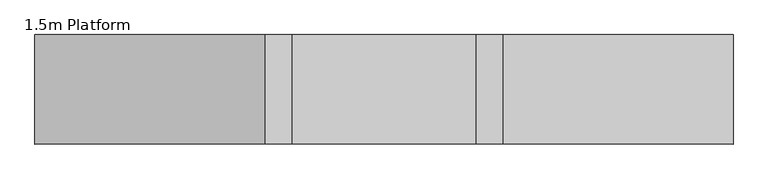
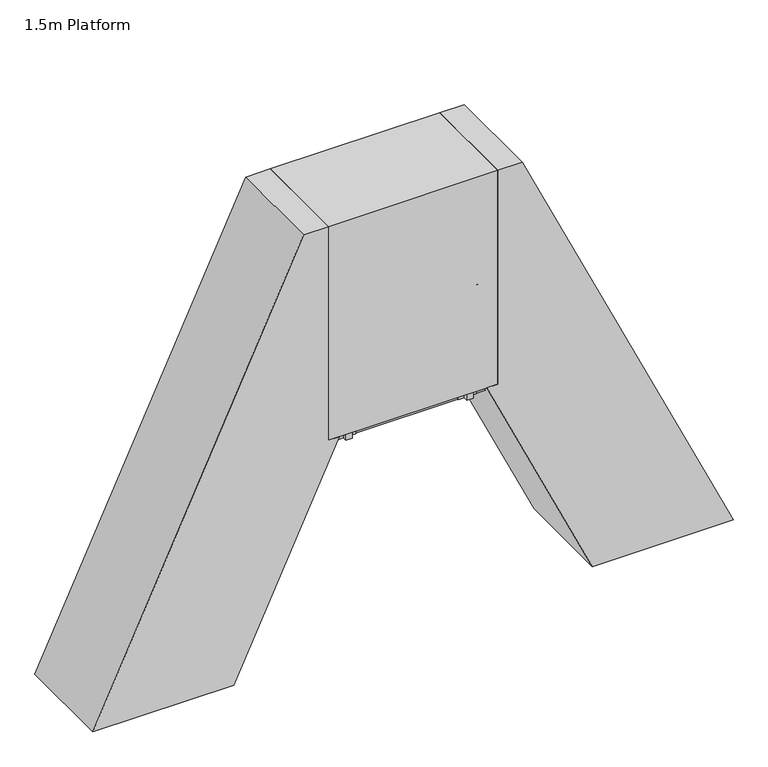
"""IFC4 building model written with IfcOpenShell, lengths in millimetres: proxy geometry, 1.5m Platform."""

from ifc_helpers import new_model, si_unit, point, frame, frame_2d, origin, origin_with_axes, place, context, project, spatial, polyline, circle_curve, ellipse_curve, trimmed, segment, composite_curve, outline, extrude, source, transform, mapped, element, save
from ifc_brep_helpers import plane_surface, cylinder_surface, advanced_brep


def proxy_1_5m_platform_79f61937(model_context):
    return source(origin(), model_context, "Body", "SolidModel", [
        extrude(outline(polyline([(1750.0, 112.6767824), (1750.0, 2.3389904), (1670.0, -34.9656223), (1670.0, 75.3721748), (1750.0, 112.6767824)])), frame((0.0, -304.5, 0.0), z_axis=(0.0, 1.0, 0.0), x_axis=(0.0, 0.0, 1.0)), (0.0, 0.0, 1.0), 6.0),
        extrude(outline(polyline([(1750.0, 112.6767824), (1750.0, 2.3389904), (1670.0, -34.9656223), (1670.0, 75.3721748), (1750.0, 112.6767824)])), frame((0.0, 298.5, 0.0), z_axis=(0.0, 1.0, 0.0), x_axis=(0.0, 0.0, 1.0)), (0.0, 0.0, 1.0), 6.0),
        extrude(outline(polyline([(1750.0, 105.5048261), (1750.0, 85.2429206), (1749.2749538, 84.9048261), (1750.0, 84.5667315), (1750.0, 64.6429206), (1749.2749538, 64.3048261), (1750.0, 63.9667315), (1750.0, 44.0429206), (1749.2749538, 43.7048261), (1750.0, 43.3667315), (1750.0, 23.4429206), (1749.2749538, 23.1048261), (1750.0, 22.7667315), (1750.0, 2.3389904), (1712.0999991, -15.3340703), (1712.0999991, -13.1273145), (1747.0, 3.1468232), (1747.0, 101.8991475), (1712.0999991, 85.625012), (1712.0999991, 87.8317678), (1750.0, 105.5048261)])), frame((0.0, -298.5, 0.0), z_axis=(0.0, 1.0, 0.0), x_axis=(0.0, 0.0, 1.0)), (0.0, 0.0, 1.0), 597.0),
        extrude(outline(polyline([(1500.0, -3.9047051), (1500.0, -114.2424971), (1420.0, -151.5471097), (1420.0, -41.2093127), (1500.0, -3.9047051)])), frame((0.0, -304.5, 0.0), z_axis=(0.0, 1.0, 0.0), x_axis=(0.0, 0.0, 1.0)), (0.0, 0.0, 1.0), 6.0),
        extrude(outline(polyline([(1500.0, -3.9047051), (1500.0, -114.2424971), (1420.0, -151.5471097), (1420.0, -41.2093127), (1500.0, -3.9047051)])), frame((0.0, 298.5, 0.0), z_axis=(0.0, 1.0, 0.0), x_axis=(0.0, 0.0, 1.0)), (0.0, 0.0, 1.0), 6.0),
        extrude(outline(polyline([(1500.0, -11.0766614), (1500.0, -31.3385668), (1499.2749538, -31.6766614), (1500.0, -32.0147559), (1500.0, -51.9385668), (1499.2749538, -52.2766614), (1500.0, -52.6147559), (1500.0, -72.5385668), (1499.2749538, -72.8766614), (1500.0, -73.2147559), (1500.0, -93.1385668), (1499.2749538, -93.4766614), (1500.0, -93.8147559), (1500.0, -114.2424971), (1462.0999991, -131.9155577), (1462.0999991, -129.7088019), (1497.0, -113.4346642), (1497.0, -14.6823399), (1462.0999991, -30.9564754), (1462.0999991, -28.7497196), (1500.0, -11.0766614)])), frame((0.0, -298.5, 0.0), z_axis=(0.0, 1.0, 0.0), x_axis=(0.0, 0.0, 1.0)), (0.0, 0.0, 1.0), 597.0),
        extrude(outline(polyline([(1250.0, -120.4861925), (1250.0, -230.8239845), (1170.0, -268.1285972), (1170.0, -157.7908001), (1250.0, -120.4861925)])), frame((0.0, -304.5, 0.0), z_axis=(0.0, 1.0, 0.0), x_axis=(0.0, 0.0, 1.0)), (0.0, 0.0, 1.0), 6.0),
        extrude(outline(polyline([(1250.0, -120.4861925), (1250.0, -230.8239845), (1170.0, -268.1285972), (1170.0, -157.7908001), (1250.0, -120.4861925)])), frame((0.0, 298.5, 0.0), z_axis=(0.0, 1.0, 0.0), x_axis=(0.0, 0.0, 1.0)), (0.0, 0.0, 1.0), 6.0),
        extrude(outline(polyline([(1250.0, -127.6581488), (1250.0, -147.9200542), (1249.2749538, -148.2581488), (1250.0, -148.5962434), (1250.0, -168.5200542), (1249.2749538, -168.8581488), (1250.0, -169.1962434), (1250.0, -189.1200542), (1249.2749538, -189.4581488), (1250.0, -189.7962434), (1250.0, -209.7200542), (1249.2749538, -210.0581488), (1250.0, -210.3962434), (1250.0, -230.8239845), (1212.0999991, -248.4970451), (1212.0999991, -246.2902893), (1247.0, -230.0161516), (1247.0, -131.2638274), (1212.0999991, -147.5379628), (1212.0999991, -145.331207), (1250.0, -127.6581488)])), frame((0.0, -298.5, 0.0), z_axis=(0.0, 1.0, 0.0), x_axis=(0.0, 0.0, 1.0)), (0.0, 0.0, 1.0), 597.0),
        extrude(outline(polyline([(1000.0, -237.0676799), (1000.0, -347.4054719), (920.0, -384.7100846), (920.0, -274.3722875), (1000.0, -237.0676799)])), frame((0.0, -304.5, 0.0), z_axis=(0.0, 1.0, 0.0), x_axis=(0.0, 0.0, 1.0)), (0.0, 0.0, 1.0), 6.0),
        extrude(outline(polyline([(1000.0, -237.0676799), (1000.0, -347.4054719), (920.0, -384.7100846), (920.0, -274.3722875), (1000.0, -237.0676799)])), frame((0.0, 298.5, 0.0), z_axis=(0.0, 1.0, 0.0), x_axis=(0.0, 0.0, 1.0)), (0.0, 0.0, 1.0), 6.0),
        extrude(outline(polyline([(1000.0, -244.2396362), (1000.0, -264.5015416), (999.2749538, -264.8396362), (1000.0, -265.1777308), (1000.0, -285.1015416), (999.2749538, -285.4396362), (1000.0, -285.7777308), (1000.0, -305.7015416), (999.2749538, -306.0396362), (1000.0, -306.3777308), (1000.0, -326.3015416), (999.2749538, -326.6396362), (1000.0, -326.9777308), (1000.0, -347.4054719), (962.0999991, -365.0785326), (962.0999991, -362.8717767), (997.0, -346.5976391), (997.0, -247.8453148), (962.0999991, -264.1194502), (962.0999991, -261.9126945), (1000.0, -244.2396362)])), frame((0.0, -298.5, 0.0), z_axis=(0.0, 1.0, 0.0), x_axis=(0.0, 0.0, 1.0)), (0.0, 0.0, 1.0), 597.0),
        extrude(outline(polyline([(750.0, -353.6491673), (750.0, -463.9869594), (670.0, -501.291572), (670.0, -390.9537749), (750.0, -353.6491673)])), frame((0.0, -304.5, 0.0), z_axis=(0.0, 1.0, 0.0), x_axis=(0.0, 0.0, 1.0)), (0.0, 0.0, 1.0), 6.0),
        extrude(outline(polyline([(750.0, -353.6491673), (750.0, -463.9869594), (670.0, -501.291572), (670.0, -390.9537749), (750.0, -353.6491673)])), frame((0.0, 298.5, 0.0), z_axis=(0.0, 1.0, 0.0), x_axis=(0.0, 0.0, 1.0)), (0.0, 0.0, 1.0), 6.0),
        extrude(outline(polyline([(750.0, -360.8211236), (750.0, -381.0830291), (749.2749538, -381.4211236), (750.0, -381.7592182), (750.0, -401.6830291), (749.2749538, -402.0211236), (750.0, -402.3592182), (750.0, -422.2830291), (749.2749538, -422.6211236), (750.0, -422.9592182), (750.0, -442.8830291), (749.2749538, -443.2211236), (750.0, -443.5592182), (750.0, -463.9869594), (712.0999991, -481.66002), (712.0999991, -479.4532642), (747.0, -463.1791265), (747.0, -364.4268022), (712.0999991, -380.7009377), (712.0999991, -378.4941819), (750.0, -360.8211236)])), frame((0.0, -298.5, 0.0), z_axis=(0.0, 1.0, 0.0), x_axis=(0.0, 0.0, 1.0)), (0.0, 0.0, 1.0), 597.0),
        extrude(outline(polyline([(500.0, -470.2306548), (500.0, -580.5684468), (420.0, -617.8730594), (420.0, -507.5352624), (500.0, -470.2306548)])), frame((0.0, -304.5, 0.0), z_axis=(0.0, 1.0, 0.0), x_axis=(0.0, 0.0, 1.0)), (0.0, 0.0, 1.0), 6.0),
        extrude(outline(polyline([(500.0, -470.2306548), (500.0, -580.5684468), (420.0, -617.8730594), (420.0, -507.5352624), (500.0, -470.2306548)])), frame((0.0, 298.5, 0.0), z_axis=(0.0, 1.0, 0.0), x_axis=(0.0, 0.0, 1.0)), (0.0, 0.0, 1.0), 6.0),
        extrude(outline(polyline([(500.0, -477.4026111), (500.0, -497.6645165), (499.2749538, -498.0026111), (500.0, -498.3407056), (500.0, -518.2645165), (499.2749538, -518.6026111), (500.0, -518.9407056), (500.0, -538.8645165), (499.2749538, -539.2026111), (500.0, -539.5407056), (500.0, -559.4645165), (499.2749538, -559.8026111), (500.0, -560.1407056), (500.0, -580.5684468), (462.0999991, -598.2415074), (462.0999991, -596.0347516), (497.0, -579.7606139), (497.0, -481.0082896), (462.0999991, -497.2824251), (462.0999991, -495.0756693), (500.0, -477.4026111)])), frame((0.0, -298.5, 0.0), z_axis=(0.0, 1.0, 0.0), x_axis=(0.0, 0.0, 1.0)), (0.0, 0.0, 1.0), 597.0),
        extrude(outline(polyline([(-0.0541093, 0.0), (0.7582532, 5.9447512), (185.4590013, 5.9447512), (254.8144324, -3.5328109), (254.0020699, -9.4775622), (184.6466388, 0.0), (-0.0541093, 0.0)])), frame((-504.795957, -375.0, 1079.978918), z_axis=(0.4226302122585525, 0.0, 0.9063022143227341), x_axis=(0.897956867570804, 0.13539374535780344, -0.4187385791880372)), (0.0, 0.0, 1.0), 80.0),
        extrude(outline(polyline([(-0.0541093, 0.0), (0.7582532, 5.9447512), (185.4590013, 5.9447512), (254.8144324, -3.5328109), (254.0020699, -9.4775622), (184.6466388, 0.0), (-0.0541093, 0.0)])), frame((-143.5643851, -375.0, 1854.615856), z_axis=(0.4226302122585525, 0.0, 0.9063022143227341), x_axis=(0.897956867570804, 0.13539374535780344, -0.4187385791880372)), (0.0, 0.0, 1.0), 80.0),
        extrude(outline(polyline([(0.0, 32.0), (2.9999999, 32.0), (2.9999999, 0.0), (0.0, 0.0), (0.0, 32.0)])), frame((-520.2423578, -388.0, 1054.0803998), z_axis=(0.4226302122585525, 0.0, 0.9063022143227341), x_axis=(0.9063022143227341, 0.0, -0.4226302122585525)), (0.0, 0.0, 1.0), 140.0),
        extrude(outline(polyline([(0.0, 32.0), (2.9999999, 32.0), (2.9999999, 0.0), (0.0, 0.0), (0.0, 32.0)])), frame((-159.0107859, -388.0, 1828.7173378), z_axis=(0.4226302122585525, 0.0, 0.9063022143227341), x_axis=(0.9063022143227341, 0.0, -0.4226302122585525)), (0.0, 0.0, 1.0), 140.0),
        extrude(outline(composite_curve([segment(trimmed(circle_curve(frame_2d((0.0, 14.189404)), 22.4521533), [point((-17.4, 0.0))], [point((17.4, 0.0))], False, "CARTESIAN"), True, "CONTINUOUS"), segment(polyline([(17.4, 0.0), (-17.4, 0.0)]), True, "CONTINUOUS")], self_intersect=False)), frame((-592.0894939, -372.0, 900.0090234), z_axis=(0.4226302122585525, 0.0, 0.9063022143227341), x_axis=(0.0, 1.0, 0.0)), (0.0, 0.0, 1.0), 2184.7225481),
        extrude(outline(polyline([(-0.0541093, 0.0), (184.6466388, 0.0), (254.0020699, 9.4775622), (254.8144324, 3.5328109), (185.4590013, -5.9447512), (0.7582532, -5.9447512), (-0.0541093, 0.0)])), frame((-504.7949657, 375.0, 1079.981044), z_axis=(0.4226302122585526, 0.0, 0.9063022143227341), x_axis=(0.8979568675708031, -0.13539374535780926, -0.4187385791880372)), (0.0, 0.0, 1.0), 80.0),
        extrude(outline(polyline([(-0.0541093, 0.0), (184.6466389, 0.0), (254.00207, 9.4775622), (254.8144324, 3.532811), (185.4590014, -5.9447512), (0.7582532, -5.9447512), (-0.0541093, 0.0)])), frame((-143.5633938, 375.0, 1854.617982), z_axis=(0.4226302122585526, 0.0, 0.9063022143227341), x_axis=(0.8979568675708031, -0.13539374535780926, -0.4187385791880372)), (0.0, 0.0, 1.0), 80.0),
        extrude(outline(polyline([(0.0, -32.0), (0.0, 0.0), (2.9999999, 0.0), (2.9999999, -32.0), (0.0, -32.0)])), frame((-520.2413665, 388.0, 1054.0825258), z_axis=(0.4226302122585525, 0.0, 0.9063022143227341), x_axis=(0.9063022143227341, 0.0, -0.4226302122585525)), (0.0, 0.0, 1.0), 140.0),
        extrude(outline(polyline([(0.0, -32.0), (0.0, 0.0), (3.0, 0.0), (3.0, -32.0), (0.0, -32.0)])), frame((-159.0097946, 388.0, 1828.7194638), z_axis=(0.4226302122585525, 0.0, 0.9063022143227341), x_axis=(0.9063022143227341, 0.0, -0.4226302122585525)), (0.0, 0.0, 1.0), 140.0),
        extrude(outline(composite_curve([segment(polyline([(-17.4, 0.0), (17.4, 0.0)]), True, "CONTINUOUS"), segment(trimmed(circle_curve(frame_2d((0.0, -14.189404)), 22.4521533), [point((17.4, 0.0))], [point((-17.4, 0.0))], False, "CARTESIAN"), True, "CONTINUOUS")], self_intersect=False)), frame((-592.0885026, 372.0, 900.0111494), z_axis=(0.4226302122585525, 0.0, 0.9063022143227341), x_axis=(0.0, -1.0, 0.0)), (0.0, 0.0, 1.0), 2184.7225481),
        extrude(outline(polyline([(2000.0, 229.2582698), (2000.0, 118.9204778), (1920.0, 81.6158651), (1920.0, 191.9536622), (2000.0, 229.2582698)])), frame((0.0, -304.5, 0.0), z_axis=(0.0, 1.0, 0.0), x_axis=(0.0, 0.0, 1.0)), (0.0, 0.0, 1.0), 6.0),
        extrude(outline(polyline([(2000.0, 229.2582698), (2000.0, 118.9204778), (1920.0, 81.6158651), (1920.0, 191.9536622), (2000.0, 229.2582698)])), frame((0.0, 298.5, 0.0), z_axis=(0.0, 1.0, 0.0), x_axis=(0.0, 0.0, 1.0)), (0.0, 0.0, 1.0), 6.0),
        extrude(outline(polyline([(2000.0, 222.0863135), (2000.0, 201.8244081), (1999.2749538, 201.4863135), (2000.0, 201.1482189), (2000.0, 181.2244081), (1999.2749538, 180.8863135), (2000.0, 180.5482189), (2000.0, 160.6244081), (1999.2749538, 160.2863135), (2000.0, 159.9482189), (2000.0, 140.0244081), (1999.2749538, 139.6863135), (2000.0, 139.3482189), (2000.0, 118.9204778), (1962.0999991, 101.2474171), (1962.0999991, 103.454173), (1997.0, 119.7283106), (1997.0, 218.4806349), (1962.0999991, 202.2064995), (1962.0999991, 204.4132553), (2000.0, 222.0863135)])), frame((0.0, -298.5, 0.0), z_axis=(0.0, 1.0, 0.0), x_axis=(0.0, 0.0, 1.0)), (0.0, 0.0, 1.0), 597.0),
        extrude(outline(polyline([(250.0, -586.8121422), (250.0, -697.1499342), (170.0, -734.4545469), (170.0, -624.1167498), (250.0, -586.8121422)])), frame((0.0, -304.5, 0.0), z_axis=(0.0, 1.0, 0.0), x_axis=(0.0, 0.0, 1.0)), (0.0, 0.0, 1.0), 6.0),
        extrude(outline(polyline([(250.0, -586.8121422), (250.0, -697.1499342), (170.0, -734.4545469), (170.0, -624.1167498), (250.0, -586.8121422)])), frame((0.0, 298.5, 0.0), z_axis=(0.0, 1.0, 0.0), x_axis=(0.0, 0.0, 1.0)), (0.0, 0.0, 1.0), 6.0),
        extrude(outline(polyline([(250.0, -593.9840985), (250.0, -614.2460039), (249.2749538, -614.5840985), (250.0, -614.9221931), (250.0, -634.8460039), (249.2749538, -635.1840985), (250.0, -635.5221931), (250.0, -655.4460039), (249.2749538, -655.7840985), (250.0, -656.1221931), (250.0, -676.0460039), (249.2749538, -676.3840985), (250.0, -676.7221931), (250.0, -697.1499342), (212.0999991, -714.8229949), (212.0999991, -712.616239), (247.0, -696.3421014), (247.0, -597.5897771), (212.0999991, -613.8639125), (212.0999991, -611.6571567), (250.0, -593.9840985)])), frame((0.0, -298.5, 0.0), z_axis=(0.0, 1.0, 0.0), x_axis=(0.0, 0.0, 1.0)), (0.0, 0.0, 1.0), 597.0),
        advanced_brep(
        [(382.0863135, -372.0, 2942.0), (382.0863135, -372.0, 2987.0), (369.3551755, -372.0, 2942.0), (340.687222, -372.0, 2987.0), (338.8104548, -372.0, 2876.4977609), (298.0267296, -372.0, 2895.5158512)],
        [
            (0, 1, circle_curve(frame((382.0863135, -372.0, 2964.5), z_axis=(1.0, 0.0, 0.0), x_axis=(0.0, 0.0, 1.0)), 22.5)),
            (1, 0, circle_curve(frame((382.0863135, -372.0, 2964.5), z_axis=(1.0, 0.0, 0.0), x_axis=(0.0, 0.0, 1.0)), 22.5)),
            (0, 2),
            (2, 3, ellipse_curve(frame((355.0211988, -372.0, 2964.5), z_axis=(0.8433932143582125, 0.0, 0.5372968322766498), x_axis=(0.5372968322766497, 0.0, -0.8433932143582125)), 26.6779476, 22.5)),
            (3, 1),
            (3, 2, ellipse_curve(frame((355.0211988, -372.0, 2964.5), z_axis=(0.8433932143582125, 0.0, 0.5372968322766498), x_axis=(0.5372968322766497, 0.0, -0.8433932143582125)), 26.6779476, 22.5)),
            (4, 5, circle_curve(frame((318.4185922, -372.0, 2886.0068061), z_axis=(-0.42262422805095523, 0.0, -0.9063050048765781), x_axis=(-0.9063050048765781, 0.0, 0.42262422805095523)), 22.5)),
            (5, 4, circle_curve(frame((318.4185922, -372.0, 2886.0068061), z_axis=(-0.42262422805095523, 0.0, -0.9063050048765781), x_axis=(-0.9063050048765781, 0.0, 0.42262422805095523)), 22.5)),
            (2, 4),
            (5, 3),
        ],
        [
            plane_surface(frame((382.0863135, 0.0, 2987.0), z_axis=(1.0, 0.0, 0.0), x_axis=(0.0, 1.0, 0.0))),
            cylinder_surface(frame((382.0863135, -372.0, 2964.5), z_axis=(1.0, 0.0, 0.0), x_axis=(0.0, 0.0, 1.0)), 22.5),
            plane_surface(frame((298.0267296, 0.0, 2895.5158512), z_axis=(-0.42262422805095523, 0.0, -0.9063050048765781), x_axis=(0.0, 1.0, 0.0))),
            cylinder_surface(frame((361.0790846, -372.0, 2977.4909549), z_axis=(0.42262422805095523, 0.0, 0.9063050048765781), x_axis=(-0.9063050048765781, 0.0, 0.42262422805095523)), 22.5),
        ],
        [
            (0, [[1, 2]]),
            (1, [[-1, 3, 4, 5]]),
            (1, [[-2, -5, 6, -3]]),
            (2, [[7, 8]]),
            (3, [[-4, 9, -8, 10]]),
            (3, [[-6, -10, -7, -9]]),
        ],
    ),
        advanced_brep(
        [(382.0863135, 372.0, 2942.0), (382.0863135, 372.0, 2987.0), (369.3551755, 372.0, 2942.0), (340.687222, 372.0, 2987.0), (338.8104548, 372.0, 2876.4977609), (298.0267296, 372.0, 2895.5158512)],
        [
            (0, 1, circle_curve(frame((382.0863135, 372.0, 2964.5), z_axis=(1.0, 0.0, 0.0), x_axis=(0.0, 0.0, 1.0)), 22.5)),
            (1, 0, circle_curve(frame((382.0863135, 372.0, 2964.5), z_axis=(1.0, 0.0, 0.0), x_axis=(0.0, 0.0, 1.0)), 22.5)),
            (0, 2),
            (2, 3, ellipse_curve(frame((355.0211988, 372.0, 2964.5), z_axis=(0.8433932143582125, 0.0, 0.5372968322766498), x_axis=(0.5372968322766497, 0.0, -0.8433932143582125)), 26.6779476, 22.5)),
            (3, 1),
            (3, 2, ellipse_curve(frame((355.0211988, 372.0, 2964.5), z_axis=(0.8433932143582125, 0.0, 0.5372968322766498), x_axis=(0.5372968322766497, 0.0, -0.8433932143582125)), 26.6779476, 22.5)),
            (4, 5, circle_curve(frame((318.4185922, 372.0, 2886.0068061), z_axis=(-0.42262422805095523, 0.0, -0.9063050048765781), x_axis=(-0.9063050048765781, 0.0, 0.42262422805095523)), 22.5)),
            (5, 4, circle_curve(frame((318.4185922, 372.0, 2886.0068061), z_axis=(-0.42262422805095523, 0.0, -0.9063050048765781), x_axis=(-0.9063050048765781, 0.0, 0.42262422805095523)), 22.5)),
            (2, 4),
            (5, 3),
        ],
        [
            plane_surface(frame((382.0863135, 0.0, 2987.0), z_axis=(1.0, 0.0, 0.0), x_axis=(0.0, 1.0, 0.0))),
            cylinder_surface(frame((382.0863135, 372.0, 2964.5), z_axis=(1.0, 0.0, 0.0), x_axis=(0.0, 0.0, 1.0)), 22.5),
            plane_surface(frame((298.0267296, 0.0, 2895.5158512), z_axis=(-0.42262422805095523, 0.0, -0.9063050048765781), x_axis=(0.0, 1.0, 0.0))),
            cylinder_surface(frame((361.0790846, 372.0, 2977.4909549), z_axis=(0.42262422805095523, 0.0, 0.9063050048765781), x_axis=(-0.9063050048765781, 0.0, 0.42262422805095523)), 22.5),
        ],
        [
            (0, [[1, 2]]),
            (1, [[-1, 3, 4, 5]]),
            (1, [[-2, -5, 6, -3]]),
            (2, [[7, 8]]),
            (3, [[-4, 9, -8, 10]]),
            (3, [[-6, -10, -7, -9]]),
        ],
    ),
        extrude(outline(polyline([(-304.5, 80.0), (-304.5, 0.0), (-343.0, 0.0), (-343.0, 80.0), (-304.5, 80.0)])), frame((-722.6587693, 0.0, 6.0), z_axis=(0.4226182617406975, 0.0, 0.9063077870366509), x_axis=(0.0, 1.0, 0.0)), (0.0, 0.0, 1.0), 2200.1355704),
        extrude(outline(polyline([(343.0, 80.0), (343.0, 0.0), (304.5, 0.0), (304.5, 80.0), (343.0, 80.0)])), frame((-722.6587693, 0.0, 6.0), z_axis=(0.4226182617406975, 0.0, 0.9063077870366509), x_axis=(0.0, 1.0, 0.0)), (0.0, 0.0, 1.0), 2200.1355704),
        extrude(outline(polyline([(141.9461681, -747.5362635), (6.0, -810.9290028), (6.0, -722.6587693), (108.1367071, -675.0316406), (141.9461681, -747.5362635)])), frame((0.0, -350.0, 0.0), z_axis=(0.0, 1.0, 0.0), x_axis=(0.0, 0.0, 1.0)), (0.0, 0.0, 1.0), 6.0),
        extrude(outline(polyline([(141.9461681, -747.5362635), (6.0, -810.9290028), (6.0, -722.6587693), (108.1367071, -675.0316406), (141.9461681, -747.5362635)])), frame((0.0, 344.0, 0.0), z_axis=(0.0, 1.0, 0.0), x_axis=(0.0, 0.0, 1.0)), (0.0, 0.0, 1.0), 6.0),
        extrude(outline(polyline([(-816.8290028, -358.0), (-816.8290028, 358.0), (-716.8290028, 358.0), (-716.8290028, -358.0), (-816.8290028, -358.0)])), origin_with_axes(), (0.0, 0.0, 1.0), 6.0),
        extrude(outline(polyline([(2000.0, 318.9194894), (2000.0, 222.0863135), (4000.0, 222.0863135), (4000.0, 3.3518896), (0.0, -1861.9429561), (0.0, -613.7279335), (2000.0, 318.9194894)])), frame((0.0, -444.5, 0.0), z_axis=(0.0, 1.0, 0.0), x_axis=(0.0, 0.0, 1.0)), (0.0, 0.0, 1.0), 889.0),
        extrude(outline(polyline([(1750.0, 1831.4958446), (1670.0, 1868.8004522), (1670.0, 1979.1382493), (1750.0, 1941.8336367), (1750.0, 1831.4958446)])), frame((0.0, 298.5, 0.0), z_axis=(0.0, 1.0, 0.0), x_axis=(0.0, 0.0, 1.0)), (0.0, 0.0, 1.0), 6.0),
        extrude(outline(polyline([(1750.0, 1831.4958446), (1670.0, 1868.8004522), (1670.0, 1979.1382493), (1750.0, 1941.8336367), (1750.0, 1831.4958446)])), frame((0.0, -304.5, 0.0), z_axis=(0.0, 1.0, 0.0), x_axis=(0.0, 0.0, 1.0)), (0.0, 0.0, 1.0), 6.0),
        extrude(outline(polyline([(1750.0, 1838.6678009), (1712.0999991, 1856.3408592), (1712.0999991, 1858.547615), (1747.0, 1842.2734795), (1747.0, 1941.0258038), (1712.0999991, 1957.2999415), (1712.0999991, 1959.5066973), (1750.0, 1941.8336367), (1750.0, 1921.4058955), (1749.2749538, 1921.0678009), (1750.0, 1920.7297064), (1750.0, 1900.8058955), (1749.2749538, 1900.4678009), (1750.0, 1900.1297064), (1750.0, 1880.2058955), (1749.2749538, 1879.8678009), (1750.0, 1879.5297064), (1750.0, 1859.6058955), (1749.2749538, 1859.2678009), (1750.0, 1858.9297064), (1750.0, 1838.6678009)])), frame((0.0, -298.5, 0.0), z_axis=(0.0, 1.0, 0.0), x_axis=(0.0, 0.0, 1.0)), (0.0, 0.0, 1.0), 597.0),
        extrude(outline(polyline([(1500.0, 1948.0773321), (1420.0, 1985.3819397), (1420.0, 2095.7197367), (1500.0, 2058.4151241), (1500.0, 1948.0773321)])), frame((0.0, 298.5, 0.0), z_axis=(0.0, 1.0, 0.0), x_axis=(0.0, 0.0, 1.0)), (0.0, 0.0, 1.0), 6.0),
        extrude(outline(polyline([(1500.0, 1948.0773321), (1420.0, 1985.3819397), (1420.0, 2095.7197367), (1500.0, 2058.4151241), (1500.0, 1948.0773321)])), frame((0.0, -304.5, 0.0), z_axis=(0.0, 1.0, 0.0), x_axis=(0.0, 0.0, 1.0)), (0.0, 0.0, 1.0), 6.0),
        extrude(outline(polyline([(1500.0, 1955.2492884), (1462.0999991, 1972.9223466), (1462.0999991, 1975.1291024), (1497.0, 1958.8549669), (1497.0, 2057.6072912), (1462.0999991, 2073.8814289), (1462.0999991, 2076.0881847), (1500.0, 2058.4151241), (1500.0, 2037.9873829), (1499.2749538, 2037.6492884), (1500.0, 2037.3111938), (1500.0, 2017.3873829), (1499.2749538, 2017.0492884), (1500.0, 2016.7111938), (1500.0, 1996.7873829), (1499.2749538, 1996.4492884), (1500.0, 1996.1111938), (1500.0, 1976.1873829), (1499.2749538, 1975.8492884), (1500.0, 1975.5111938), (1500.0, 1955.2492884)])), frame((0.0, -298.5, 0.0), z_axis=(0.0, 1.0, 0.0), x_axis=(0.0, 0.0, 1.0)), (0.0, 0.0, 1.0), 597.0),
        extrude(outline(polyline([(1250.0, 2064.6588195), (1170.0, 2101.9634271), (1170.0, 2212.3012242), (1250.0, 2174.9966115), (1250.0, 2064.6588195)])), frame((0.0, 298.5, 0.0), z_axis=(0.0, 1.0, 0.0), x_axis=(0.0, 0.0, 1.0)), (0.0, 0.0, 1.0), 6.0),
        extrude(outline(polyline([(1250.0, 2064.6588195), (1170.0, 2101.9634271), (1170.0, 2212.3012242), (1250.0, 2174.9966115), (1250.0, 2064.6588195)])), frame((0.0, -304.5, 0.0), z_axis=(0.0, 1.0, 0.0), x_axis=(0.0, 0.0, 1.0)), (0.0, 0.0, 1.0), 6.0),
        extrude(outline(polyline([(1250.0, 2071.8307758), (1212.0999991, 2089.503834), (1212.0999991, 2091.7105898), (1247.0, 2075.4364544), (1247.0, 2174.1887786), (1212.0999991, 2190.4629163), (1212.0999991, 2192.6696722), (1250.0, 2174.9966115), (1250.0, 2154.5688704), (1249.2749538, 2154.2307758), (1250.0, 2153.8926812), (1250.0, 2133.9688704), (1249.2749538, 2133.6307758), (1250.0, 2133.2926812), (1250.0, 2113.3688704), (1249.2749538, 2113.0307758), (1250.0, 2112.6926812), (1250.0, 2092.7688704), (1249.2749538, 2092.4307758), (1250.0, 2092.0926812), (1250.0, 2071.8307758)])), frame((0.0, -298.5, 0.0), z_axis=(0.0, 1.0, 0.0), x_axis=(0.0, 0.0, 1.0)), (0.0, 0.0, 1.0), 597.0),
        extrude(outline(polyline([(1000.0, 2181.2403069), (920.0, 2218.5449145), (920.0, 2328.8827116), (1000.0, 2291.5780989), (1000.0, 2181.2403069)])), frame((0.0, 298.5, 0.0), z_axis=(0.0, 1.0, 0.0), x_axis=(0.0, 0.0, 1.0)), (0.0, 0.0, 1.0), 6.0),
        extrude(outline(polyline([(1000.0, 2181.2403069), (920.0, 2218.5449145), (920.0, 2328.8827116), (1000.0, 2291.5780989), (1000.0, 2181.2403069)])), frame((0.0, -304.5, 0.0), z_axis=(0.0, 1.0, 0.0), x_axis=(0.0, 0.0, 1.0)), (0.0, 0.0, 1.0), 6.0),
        extrude(outline(polyline([(1000.0, 2188.4122632), (962.0999991, 2206.0853215), (962.0999991, 2208.2920772), (997.0, 2192.0179418), (997.0, 2290.7702661), (962.0999991, 2307.0444037), (962.0999991, 2309.2511596), (1000.0, 2291.5780989), (1000.0, 2271.1503578), (999.2749538, 2270.8122632), (1000.0, 2270.4741686), (1000.0, 2250.5503578), (999.2749538, 2250.2122632), (1000.0, 2249.8741686), (1000.0, 2229.9503578), (999.2749538, 2229.6122632), (1000.0, 2229.2741686), (1000.0, 2209.3503578), (999.2749538, 2209.0122632), (1000.0, 2208.6741686), (1000.0, 2188.4122632)])), frame((0.0, -298.5, 0.0), z_axis=(0.0, 1.0, 0.0), x_axis=(0.0, 0.0, 1.0)), (0.0, 0.0, 1.0), 597.0),
        extrude(outline(polyline([(750.0, 2297.8217943), (670.0, 2335.1264019), (670.0, 2445.464199), (750.0, 2408.1595864), (750.0, 2297.8217943)])), frame((0.0, 298.5, 0.0), z_axis=(0.0, 1.0, 0.0), x_axis=(0.0, 0.0, 1.0)), (0.0, 0.0, 1.0), 6.0),
        extrude(outline(polyline([(750.0, 2297.8217943), (670.0, 2335.1264019), (670.0, 2445.464199), (750.0, 2408.1595864), (750.0, 2297.8217943)])), frame((0.0, -304.5, 0.0), z_axis=(0.0, 1.0, 0.0), x_axis=(0.0, 0.0, 1.0)), (0.0, 0.0, 1.0), 6.0),
        extrude(outline(polyline([(750.0, 2304.9937506), (712.0999991, 2322.6668089), (712.0999991, 2324.8735647), (747.0, 2308.5994292), (747.0, 2407.3517535), (712.0999991, 2423.6258912), (712.0999991, 2425.832647), (750.0, 2408.1595864), (750.0, 2387.7318452), (749.2749538, 2387.3937506), (750.0, 2387.0556561), (750.0, 2367.1318452), (749.2749538, 2366.7937506), (750.0, 2366.4556561), (750.0, 2346.5318452), (749.2749538, 2346.1937506), (750.0, 2345.8556561), (750.0, 2325.9318452), (749.2749538, 2325.5937506), (750.0, 2325.2556561), (750.0, 2304.9937506)])), frame((0.0, -298.5, 0.0), z_axis=(0.0, 1.0, 0.0), x_axis=(0.0, 0.0, 1.0)), (0.0, 0.0, 1.0), 597.0),
        extrude(outline(polyline([(500.0, 2414.4032818), (420.0, 2451.7078894), (420.0, 2562.0456864), (500.0, 2524.7410738), (500.0, 2414.4032818)])), frame((0.0, 298.5, 0.0), z_axis=(0.0, 1.0, 0.0), x_axis=(0.0, 0.0, 1.0)), (0.0, 0.0, 1.0), 6.0),
        extrude(outline(polyline([(500.0, 2414.4032818), (420.0, 2451.7078894), (420.0, 2562.0456864), (500.0, 2524.7410738), (500.0, 2414.4032818)])), frame((0.0, -304.5, 0.0), z_axis=(0.0, 1.0, 0.0), x_axis=(0.0, 0.0, 1.0)), (0.0, 0.0, 1.0), 6.0),
        extrude(outline(polyline([(500.0, 2421.5752381), (462.0999991, 2439.2482963), (462.0999991, 2441.4550521), (497.0, 2425.1809166), (497.0, 2523.9332409), (462.0999991, 2540.2073786), (462.0999991, 2542.4141344), (500.0, 2524.7410738), (500.0, 2504.3133326), (499.2749538, 2503.9752381), (500.0, 2503.6371435), (500.0, 2483.7133326), (499.2749538, 2483.3752381), (500.0, 2483.0371435), (500.0, 2463.1133326), (499.2749538, 2462.7752381), (500.0, 2462.4371435), (500.0, 2442.5133326), (499.2749538, 2442.1752381), (500.0, 2441.8371435), (500.0, 2421.5752381)])), frame((0.0, -298.5, 0.0), z_axis=(0.0, 1.0, 0.0), x_axis=(0.0, 0.0, 1.0)), (0.0, 0.0, 1.0), 597.0),
        extrude(outline(polyline([(-0.0541093, 0.0), (0.7582532, 5.9447512), (185.4590013, 5.9447512), (254.8144324, -3.5328109), (254.0020699, -9.4775622), (184.6466388, 0.0), (-0.0541093, 0.0)])), frame((2448.968584, 375.0, 1079.978918), z_axis=(-0.42263021225855246, 0.0, 0.906302214322734), x_axis=(-0.8979568675708035, -0.13539374535780635, -0.4187385791880372)), (0.0, 0.0, 1.0), 80.0),
        extrude(outline(polyline([(-0.0541093, 0.0), (0.7582532, 5.9447512), (185.4590013, 5.9447512), (254.8144324, -3.5328109), (254.0020699, -9.4775622), (184.6466388, 0.0), (-0.0541093, 0.0)])), frame((2087.7370121, 375.0, 1854.615856), z_axis=(-0.42263021225855246, 0.0, 0.906302214322734), x_axis=(-0.8979568675708035, -0.13539374535780635, -0.4187385791880372)), (0.0, 0.0, 1.0), 80.0),
        extrude(outline(polyline([(0.0, 32.0), (2.9999999, 32.0), (2.9999999, 0.0), (0.0, 0.0), (0.0, 32.0)])), frame((2464.4149848, 388.0, 1054.0803998), z_axis=(-0.4226302122585525, 0.0, 0.9063022143227341), x_axis=(-0.9063022143227341, 0.0, -0.4226302122585525)), (0.0, 0.0, 1.0), 140.0),
        extrude(outline(polyline([(0.0, 32.0), (2.9999999, 32.0), (2.9999999, 0.0), (0.0, 0.0), (0.0, 32.0)])), frame((2103.1834129, 388.0, 1828.7173378), z_axis=(-0.4226302122585525, 0.0, 0.9063022143227341), x_axis=(-0.9063022143227341, 0.0, -0.4226302122585525)), (0.0, 0.0, 1.0), 140.0),
        extrude(outline(composite_curve([segment(trimmed(circle_curve(frame_2d((0.0, 14.189404)), 22.4521533), [point((-17.4, 0.0))], [point((17.4, 0.0))], False, "CARTESIAN"), True, "CONTINUOUS"), segment(polyline([(17.4, 0.0), (-17.4, 0.0)]), True, "CONTINUOUS")], self_intersect=False)), frame((2536.2621209, 372.0, 900.0090234), z_axis=(-0.4226302122585525, 0.0, 0.9063022143227341), x_axis=(0.0, -1.0, 0.0)), (0.0, 0.0, 1.0), 2184.7225481),
        extrude(outline(polyline([(-0.0541093, 0.0), (184.6466388, 0.0), (254.0020699, 9.4775622), (254.8144324, 3.5328109), (185.4590013, -5.9447512), (0.7582532, -5.9447512), (-0.0541093, 0.0)])), frame((2448.9675927, -375.0, 1079.981044), z_axis=(-0.42263021225855246, 0.0, 0.906302214322734), x_axis=(-0.8979568675708035, 0.13539374535780635, -0.4187385791880372)), (0.0, 0.0, 1.0), 80.0),
        extrude(outline(polyline([(-0.0541093, 0.0), (184.6466389, 0.0), (254.00207, 9.4775622), (254.8144324, 3.532811), (185.4590014, -5.9447512), (0.7582532, -5.9447512), (-0.0541093, 0.0)])), frame((2087.7360208, -375.0, 1854.617982), z_axis=(-0.42263021225855246, 0.0, 0.906302214322734), x_axis=(-0.8979568675708035, 0.13539374535780635, -0.4187385791880372)), (0.0, 0.0, 1.0), 80.0),
        extrude(outline(polyline([(0.0, -32.0), (0.0, 0.0), (2.9999999, 0.0), (2.9999999, -32.0), (0.0, -32.0)])), frame((2464.4139935, -388.0, 1054.0825258), z_axis=(-0.4226302122585525, 0.0, 0.9063022143227341), x_axis=(-0.9063022143227341, 0.0, -0.4226302122585525)), (0.0, 0.0, 1.0), 140.0),
        extrude(outline(polyline([(0.0, -32.0), (0.0, 0.0), (3.0, 0.0), (3.0, -32.0), (0.0, -32.0)])), frame((2103.1824216, -388.0, 1828.7194638), z_axis=(-0.4226302122585525, 0.0, 0.9063022143227341), x_axis=(-0.9063022143227341, 0.0, -0.4226302122585525)), (0.0, 0.0, 1.0), 140.0),
        extrude(outline(composite_curve([segment(polyline([(-17.4, 0.0), (17.4, 0.0)]), True, "CONTINUOUS"), segment(trimmed(circle_curve(frame_2d((0.0, -14.189404)), 22.4521533), [point((17.4, 0.0))], [point((-17.4, 0.0))], False, "CARTESIAN"), True, "CONTINUOUS")], self_intersect=False)), frame((2536.2611296, -372.0, 900.0111494), z_axis=(-0.4226302122585525, 0.0, 0.9063022143227341), x_axis=(0.0, 1.0, 0.0)), (0.0, 0.0, 1.0), 2184.7225481),
        extrude(outline(polyline([(2000.0, 1714.9143572), (1920.0, 1752.2189648), (1920.0, 1862.5567619), (2000.0, 1825.2521492), (2000.0, 1714.9143572)])), frame((0.0, 298.5, 0.0), z_axis=(0.0, 1.0, 0.0), x_axis=(0.0, 0.0, 1.0)), (0.0, 0.0, 1.0), 6.0),
        extrude(outline(polyline([(2000.0, 1714.9143572), (1920.0, 1752.2189648), (1920.0, 1862.5567619), (2000.0, 1825.2521492), (2000.0, 1714.9143572)])), frame((0.0, -304.5, 0.0), z_axis=(0.0, 1.0, 0.0), x_axis=(0.0, 0.0, 1.0)), (0.0, 0.0, 1.0), 6.0),
        extrude(outline(polyline([(2000.0, 1722.0863135), (1962.0999991, 1739.7593717), (1962.0999991, 1741.9661275), (1997.0, 1725.6919921), (1997.0, 1824.4443164), (1962.0999991, 1840.718454), (1962.0999991, 1842.9252099), (2000.0, 1825.2521492), (2000.0, 1804.8244081), (1999.2749538, 1804.4863135), (2000.0, 1804.1482189), (2000.0, 1784.2244081), (1999.2749538, 1783.8863135), (2000.0, 1783.5482189), (2000.0, 1763.6244081), (1999.2749538, 1763.2863135), (2000.0, 1762.9482189), (2000.0, 1743.0244081), (1999.2749538, 1742.6863135), (2000.0, 1742.3482189), (2000.0, 1722.0863135)])), frame((0.0, -298.5, 0.0), z_axis=(0.0, 1.0, 0.0), x_axis=(0.0, 0.0, 1.0)), (0.0, 0.0, 1.0), 597.0),
        extrude(outline(polyline([(250.0, 2530.9847692), (170.0, 2568.2893768), (170.0, 2678.6271739), (250.0, 2641.3225612), (250.0, 2530.9847692)])), frame((0.0, 298.5, 0.0), z_axis=(0.0, 1.0, 0.0), x_axis=(0.0, 0.0, 1.0)), (0.0, 0.0, 1.0), 6.0),
        extrude(outline(polyline([(250.0, 2530.9847692), (170.0, 2568.2893768), (170.0, 2678.6271739), (250.0, 2641.3225612), (250.0, 2530.9847692)])), frame((0.0, -304.5, 0.0), z_axis=(0.0, 1.0, 0.0), x_axis=(0.0, 0.0, 1.0)), (0.0, 0.0, 1.0), 6.0),
        extrude(outline(polyline([(250.0, 2538.1567255), (212.0999991, 2555.8297837), (212.0999991, 2558.0365395), (247.0, 2541.7624041), (247.0, 2640.5147284), (212.0999991, 2656.788866), (212.0999991, 2658.9956219), (250.0, 2641.3225612), (250.0, 2620.8948201), (249.2749538, 2620.5567255), (250.0, 2620.2186309), (250.0, 2600.2948201), (249.2749538, 2599.9567255), (250.0, 2599.6186309), (250.0, 2579.6948201), (249.2749538, 2579.3567255), (250.0, 2579.0186309), (250.0, 2559.0948201), (249.2749538, 2558.7567255), (250.0, 2558.4186309), (250.0, 2538.1567255)])), frame((0.0, -298.5, 0.0), z_axis=(0.0, 1.0, 0.0), x_axis=(0.0, 0.0, 1.0)), (0.0, 0.0, 1.0), 597.0),
        advanced_brep(
        [(1562.0863135, 372.0, 2942.0), (1562.0863135, 372.0, 2987.0), (1574.8174515, 372.0, 2942.0), (1603.485405, 372.0, 2987.0), (1605.3621722, 372.0, 2876.4977609), (1646.1458974, 372.0, 2895.5158512)],
        [
            (0, 1, circle_curve(frame((1562.0863135, 372.0, 2964.5), z_axis=(-1.0, 0.0, 0.0), x_axis=(0.0, 0.0, 1.0)), 22.5)),
            (1, 0, circle_curve(frame((1562.0863135, 372.0, 2964.5), z_axis=(-1.0, 0.0, 0.0), x_axis=(0.0, 0.0, 1.0)), 22.5)),
            (0, 2),
            (2, 3, ellipse_curve(frame((1589.1514282, 372.0, 2964.5), z_axis=(-0.8433932143582125, 0.0, 0.5372968322766498), x_axis=(-0.5372968322766497, 0.0, -0.8433932143582125)), 26.6779476, 22.5)),
            (3, 1),
            (3, 2, ellipse_curve(frame((1589.1514282, 372.0, 2964.5), z_axis=(-0.8433932143582125, 0.0, 0.5372968322766498), x_axis=(-0.5372968322766497, 0.0, -0.8433932143582125)), 26.6779476, 22.5)),
            (4, 5, circle_curve(frame((1625.7540348, 372.0, 2886.0068061), z_axis=(0.42262422805095523, 0.0, -0.9063050048765781), x_axis=(0.9063050048765781, 0.0, 0.42262422805095523)), 22.5)),
            (5, 4, circle_curve(frame((1625.7540348, 372.0, 2886.0068061), z_axis=(0.42262422805095523, 0.0, -0.9063050048765781), x_axis=(0.9063050048765781, 0.0, 0.42262422805095523)), 22.5)),
            (2, 4),
            (5, 3),
        ],
        [
            plane_surface(frame((1562.0863135, 0.0, 2987.0), z_axis=(-1.0, 0.0, 0.0), x_axis=(0.0, -1.0, 0.0))),
            cylinder_surface(frame((1562.0863135, 372.0, 2964.5), z_axis=(-1.0, 0.0, 0.0), x_axis=(0.0, 0.0, 1.0)), 22.5),
            plane_surface(frame((1646.1458974, 0.0, 2895.5158512), z_axis=(0.42262422805095523, 0.0, -0.9063050048765781), x_axis=(0.0, -1.0, 0.0))),
            cylinder_surface(frame((1583.0935424, 372.0, 2977.4909549), z_axis=(-0.42262422805095523, 0.0, 0.9063050048765781), x_axis=(0.9063050048765781, 0.0, 0.42262422805095523)), 22.5),
        ],
        [
            (0, [[1, 2]]),
            (1, [[-1, 3, 4, 5]]),
            (1, [[-2, -5, 6, -3]]),
            (2, [[7, 8]]),
            (3, [[-4, 9, -8, 10]]),
            (3, [[-6, -10, -7, -9]]),
        ],
    ),
        advanced_brep(
        [(1562.0863135, -372.0, 2942.0), (1562.0863135, -372.0, 2987.0), (1574.8174515, -372.0, 2942.0), (1603.485405, -372.0, 2987.0), (1605.3621722, -372.0, 2876.4977609), (1646.1458974, -372.0, 2895.5158512)],
        [
            (0, 1, circle_curve(frame((1562.0863135, -372.0, 2964.5), z_axis=(-1.0, 0.0, 0.0), x_axis=(0.0, 0.0, 1.0)), 22.5)),
            (1, 0, circle_curve(frame((1562.0863135, -372.0, 2964.5), z_axis=(-1.0, 0.0, 0.0), x_axis=(0.0, 0.0, 1.0)), 22.5)),
            (0, 2),
            (2, 3, ellipse_curve(frame((1589.1514282, -372.0, 2964.5), z_axis=(-0.8433932143582125, 0.0, 0.5372968322766498), x_axis=(-0.5372968322766497, 0.0, -0.8433932143582125)), 26.6779476, 22.5)),
            (3, 1),
            (3, 2, ellipse_curve(frame((1589.1514282, -372.0, 2964.5), z_axis=(-0.8433932143582125, 0.0, 0.5372968322766498), x_axis=(-0.5372968322766497, 0.0, -0.8433932143582125)), 26.6779476, 22.5)),
            (4, 5, circle_curve(frame((1625.7540348, -372.0, 2886.0068061), z_axis=(0.42262422805095523, 0.0, -0.9063050048765781), x_axis=(0.9063050048765781, 0.0, 0.42262422805095523)), 22.5)),
            (5, 4, circle_curve(frame((1625.7540348, -372.0, 2886.0068061), z_axis=(0.42262422805095523, 0.0, -0.9063050048765781), x_axis=(0.9063050048765781, 0.0, 0.42262422805095523)), 22.5)),
            (2, 4),
            (5, 3),
        ],
        [
            plane_surface(frame((1562.0863135, 0.0, 2987.0), z_axis=(-1.0, 0.0, 0.0), x_axis=(0.0, -1.0, 0.0))),
            cylinder_surface(frame((1562.0863135, -372.0, 2964.5), z_axis=(-1.0, 0.0, 0.0), x_axis=(0.0, 0.0, 1.0)), 22.5),
            plane_surface(frame((1646.1458974, 0.0, 2895.5158512), z_axis=(0.42262422805095523, 0.0, -0.9063050048765781), x_axis=(0.0, -1.0, 0.0))),
            cylinder_surface(frame((1583.0935424, -372.0, 2977.4909549), z_axis=(-0.42262422805095523, 0.0, 0.9063050048765781), x_axis=(0.9063050048765781, 0.0, 0.42262422805095523)), 22.5),
        ],
        [
            (0, [[1, 2]]),
            (1, [[-1, 3, 4, 5]]),
            (1, [[-2, -5, 6, -3]]),
            (2, [[7, 8]]),
            (3, [[-4, 9, -8, 10]]),
            (3, [[-6, -10, -7, -9]]),
        ],
    ),
        extrude(outline(polyline([(-304.5, 80.0), (-304.5, 0.0), (-343.0, 0.0), (-343.0, 80.0), (-304.5, 80.0)])), frame((2666.8313963, 0.0, 6.0), z_axis=(-0.4226182617406975, 0.0, 0.9063077870366509), x_axis=(0.0, -1.0, 0.0)), (0.0, 0.0, 1.0), 2200.1355704),
        extrude(outline(polyline([(343.0, 80.0), (343.0, 0.0), (304.5, 0.0), (304.5, 80.0), (343.0, 80.0)])), frame((2666.8313963, 0.0, 6.0), z_axis=(-0.4226182617406975, 0.0, 0.9063077870366509), x_axis=(0.0, -1.0, 0.0)), (0.0, 0.0, 1.0), 2200.1355704),
        extrude(outline(polyline([(141.9461681, 2691.7088906), (108.1367071, 2619.2042676), (6.0, 2666.8313963), (6.0, 2755.1016298), (141.9461681, 2691.7088906)])), frame((0.0, 344.0, 0.0), z_axis=(0.0, 1.0, 0.0), x_axis=(0.0, 0.0, 1.0)), (0.0, 0.0, 1.0), 6.0),
        extrude(outline(polyline([(141.9461681, 2691.7088906), (108.1367071, 2619.2042676), (6.0, 2666.8313963), (6.0, 2755.1016298), (141.9461681, 2691.7088906)])), frame((0.0, -350.0, 0.0), z_axis=(0.0, 1.0, 0.0), x_axis=(0.0, 0.0, 1.0)), (0.0, 0.0, 1.0), 6.0),
        extrude(outline(polyline([(2761.0016298, 358.0), (2761.0016298, -358.0), (2661.0016298, -358.0), (2661.0016298, 358.0), (2761.0016298, 358.0)])), origin_with_axes(), (0.0, 0.0, 1.0), 6.0),
        extrude(outline(polyline([(2000.0, 1625.2531376), (0.0, 2557.9005605), (0.0, 3806.1155831), (4000.0, 1940.8207374), (4000.0, 1722.0863135), (2000.0, 1722.0863135), (2000.0, 1625.2531376)])), frame((0.0, -444.5, 0.0), z_axis=(0.0, 1.0, 0.0), x_axis=(0.0, 0.0, 1.0)), (0.0, 0.0, 1.0), 889.0),
        extrude(outline(polyline([(1426.0863135, 353.5), (1586.0863135, 353.5), (1586.0863135, 343.5), (1426.0863135, 343.5), (1426.0863135, 353.5)])), frame((0.0, 0.0, 1901.0), z_axis=(0.0, 0.0, 1.0), x_axis=(1.0, 0.0, 0.0)), (0.0, 0.0, 1.0), 80.0),
        extrude(outline(polyline([(1426.0863135, -343.5), (1586.0863135, -343.5), (1586.0863135, -353.5), (1426.0863135, -353.5), (1426.0863135, -343.5)])), frame((0.0, 0.0, 1901.0), z_axis=(0.0, 0.0, 1.0), x_axis=(1.0, 0.0, 0.0)), (0.0, 0.0, 1.0), 80.0),
        extrude(outline(polyline([(358.0863135, 353.5), (518.0863135, 353.5), (518.0863135, 343.5), (358.0863135, 343.5), (358.0863135, 353.5)])), frame((0.0, 0.0, 1901.0), z_axis=(0.0, 0.0, 1.0), x_axis=(1.0, 0.0, 0.0)), (0.0, 0.0, 1.0), 80.0),
        extrude(outline(polyline([(358.0863135, -343.5), (518.0863135, -343.5), (518.0863135, -353.5), (358.0863135, -353.5), (358.0863135, -343.5)])), frame((0.0, 0.0, 1901.0), z_axis=(0.0, 0.0, 1.0), x_axis=(1.0, 0.0, 0.0)), (0.0, 0.0, 1.0), 80.0),
        extrude(outline(composite_curve([segment(polyline([(353.5, 2478.0), (353.5, 2468.0)]), True, "CONTINUOUS"), segment(trimmed(circle_curve(frame_2d((338.5, 2468.0)), 15.0), [point((353.5, 2468.0))], [point((323.5, 2468.0))], False, "CARTESIAN"), True, "CONTINUOUS"), segment(polyline([(323.5, 2468.0), (323.5, 2478.0)]), True, "CONTINUOUS"), segment(trimmed(circle_curve(frame_2d((338.5, 2478.0)), 15.0), [point((323.5, 2478.0))], [point((353.5, 2478.0))], False, "CARTESIAN"), True, "CONTINUOUS")], self_intersect=False)), frame((282.0863135, 0.0, 0.0), z_axis=(1.0, 0.0, 0.0), x_axis=(0.0, 1.0, 0.0)), (0.0, 0.0, 1.0), 1380.0),
        extrude(outline(composite_curve([segment(trimmed(circle_curve(frame_2d((-338.5, 2478.0)), 15.0), [point((-353.5, 2478.0))], [point((-323.5, 2478.0))], False, "CARTESIAN"), True, "CONTINUOUS"), segment(polyline([(-323.5, 2478.0), (-323.5, 2468.0)]), True, "CONTINUOUS"), segment(trimmed(circle_curve(frame_2d((-338.5, 2468.0)), 15.0), [point((-323.5, 2468.0))], [point((-353.5, 2468.0))], False, "CARTESIAN"), True, "CONTINUOUS"), segment(polyline([(-353.5, 2468.0), (-353.5, 2478.0)]), True, "CONTINUOUS")], self_intersect=False)), frame((282.0863135, 0.0, 0.0), z_axis=(1.0, 0.0, 0.0), x_axis=(0.0, 1.0, 0.0)), (0.0, 0.0, 1.0), 1380.0),
        extrude(outline(polyline([(1477.0863135, 391.5), (1535.0863135, 391.5), (1535.0863135, 353.5), (1477.0863135, 353.5), (1477.0863135, 391.5)])), frame((0.0, 0.0, 1901.0), z_axis=(0.0, 0.0, 1.0), x_axis=(1.0, 0.0, 0.0)), (0.0, 0.0, 1.0), 1029.0),
        extrude(outline(polyline([(1535.0863135, -353.5), (1535.0863135, -391.5), (1477.0863135, -391.5), (1477.0863135, -353.5), (1535.0863135, -353.5)])), frame((0.0, 0.0, 1901.0), z_axis=(0.0, 0.0, 1.0), x_axis=(1.0, 0.0, 0.0)), (0.0, 0.0, 1.0), 1029.0),
        extrude(outline(polyline([(467.0863135, 391.5), (467.0863135, 353.5), (409.0863135, 353.5), (409.0863135, 391.5), (467.0863135, 391.5)])), frame((0.0, 0.0, 1901.0), z_axis=(0.0, 0.0, 1.0), x_axis=(1.0, 0.0, 0.0)), (0.0, 0.0, 1.0), 1029.0),
        extrude(outline(polyline([(467.0863135, -353.5), (467.0863135, -391.5), (409.0863135, -391.5), (409.0863135, -353.5), (467.0863135, -353.5)])), frame((0.0, 0.0, 1901.0), z_axis=(0.0, 0.0, 1.0), x_axis=(1.0, 0.0, 0.0)), (0.0, 0.0, 1.0), 1029.0),
        extrude(outline(polyline([(1241.0863135, -305.0), (1203.0863135, -305.0), (1203.0863135, 305.0), (1241.0863135, 305.0), (1241.0863135, -305.0)])), frame((0.0, 0.0, 1923.0), z_axis=(0.0, 0.0, 1.0), x_axis=(1.0, 0.0, 0.0)), (0.0, 0.0, 1.0), 58.0),
        extrude(outline(polyline([(741.0863135, -305.0), (703.0863135, -305.0), (703.0863135, 305.0), (741.0863135, 305.0), (741.0863135, -305.0)])), frame((0.0, 0.0, 1923.0), z_axis=(0.0, 0.0, 1.0), x_axis=(1.0, 0.0, 0.0)), (0.0, 0.0, 1.0), 58.0),
        extrude(outline(polyline([(1722.0863135, 343.5), (1722.0863135, -343.5), (222.0863135, -343.5), (222.0863135, 343.5), (1722.0863135, 343.5)]), holes=[polyline([(1683.5863135, 305.0), (260.5863135, 305.0), (260.5863135, -305.0), (1683.5863135, -305.0), (1683.5863135, 305.0)])]), frame((0.0, 0.0, 1901.0), z_axis=(0.0, 0.0, 1.0), x_axis=(1.0, 0.0, 0.0)), (0.0, 0.0, 1.0), 80.0),
        extrude(outline(polyline([(1719.0863135, 305.0), (1719.0863135, -305.0), (225.0863135, -305.0), (225.0863135, 305.0), (1719.0863135, 305.0)])), frame((0.0, 0.0, 1984.0), z_axis=(0.0, 0.0, 1.0), x_axis=(1.0, 0.0, 0.0)), (0.0, 0.0, 1.0), 13.0),
        extrude(outline(polyline([(2000.0, 222.0863135), (1981.0, 222.0863135), (1981.0, 240.0863135), (1984.0, 240.0863135), (1984.0, 225.0863135), (1997.0, 225.0863135), (1997.0, 240.0863135), (2000.0, 240.0863135), (2000.0, 222.0863135)])), frame((0.0, -305.0, 0.0), z_axis=(0.0, 1.0, 0.0), x_axis=(0.0, 0.0, 1.0)), (0.0, 0.0, 1.0), 610.0),
        extrude(outline(polyline([(2000.0, 1722.0863135), (2000.0, 1704.0863135), (1997.0, 1704.0863135), (1997.0, 1719.0863135), (1984.0, 1719.0863135), (1984.0, 1704.0863135), (1981.0, 1704.0863135), (1981.0, 1722.0863135), (2000.0, 1722.0863135)])), frame((0.0, -305.0, 0.0), z_axis=(0.0, 1.0, 0.0), x_axis=(0.0, 0.0, 1.0)), (0.0, 0.0, 1.0), 610.0),
        extrude(outline(composite_curve([segment(polyline([(349.5, 2930.0), (349.5, 2964.5)]), True, "CONTINUOUS"), segment(trimmed(circle_curve(frame_2d((372.0, 2964.5)), 22.5), [point((349.5, 2964.5))], [point((394.5, 2964.5))], False, "CARTESIAN"), True, "CONTINUOUS"), segment(polyline([(394.5, 2964.5), (394.5, 2930.0), (349.5, 2930.0)]), True, "CONTINUOUS")], self_intersect=False)), frame((382.0863135, 0.0, 0.0), z_axis=(1.0, 0.0, 0.0), x_axis=(0.0, 1.0, 0.0)), (0.0, 0.0, 1.0), 1180.0),
        extrude(outline(composite_curve([segment(polyline([(-349.5, 2930.0), (-394.5, 2930.0), (-394.5, 2964.5)]), True, "CONTINUOUS"), segment(trimmed(circle_curve(frame_2d((-372.0, 2964.5)), 22.5), [point((-394.5, 2964.5))], [point((-349.5, 2964.5))], False, "CARTESIAN"), True, "CONTINUOUS"), segment(polyline([(-349.5, 2964.5), (-349.5, 2930.0)]), True, "CONTINUOUS")], self_intersect=False)), frame((382.0863135, 0.0, 0.0), z_axis=(1.0, 0.0, 0.0), x_axis=(0.0, 1.0, 0.0)), (0.0, 0.0, 1.0), 1180.0),
        extrude(outline(polyline([(1722.0863135, 444.5), (1722.0863135, -444.5), (222.0863135, -444.5), (222.0863135, 444.5), (1722.0863135, 444.5)])), frame((0.0, 0.0, 2000.0), z_axis=(0.0, 0.0, 1.0), x_axis=(1.0, 0.0, 0.0)), (0.0, 0.0, 1.0), 2000.0),
    ])


if __name__ == "__main__":
    model = new_model("IFC4")
    model_context = context("Model", 3, world=origin())
    ifc_project = project(units=[si_unit("LENGTHUNIT", "METRE", prefix="MILLI")], contexts=[model_context])
    site = spatial("IfcSite", under=ifc_project)
    building = spatial("IfcBuilding", under=site)
    placement = place(None, origin())
    proxy_1_5m_platform_shape = proxy_1_5m_platform_79f61937(model_context)
    element("IfcBuildingElementProxy", 1, Name="1.5m Platform", ObjectType="1.5m Platform", at=placement, inside=building, context=model_context, shape_type="MappedRepresentation", body=[
        mapped(proxy_1_5m_platform_shape, transform((0.0, 0.0, 0.0), x_axis=(1.0, 0.0, 0.0), y_axis=(0.0, 1.0, 0.0), z_axis=(0.0, 0.0, 1.0))),
    ])
    save(model, "model.ifc")
